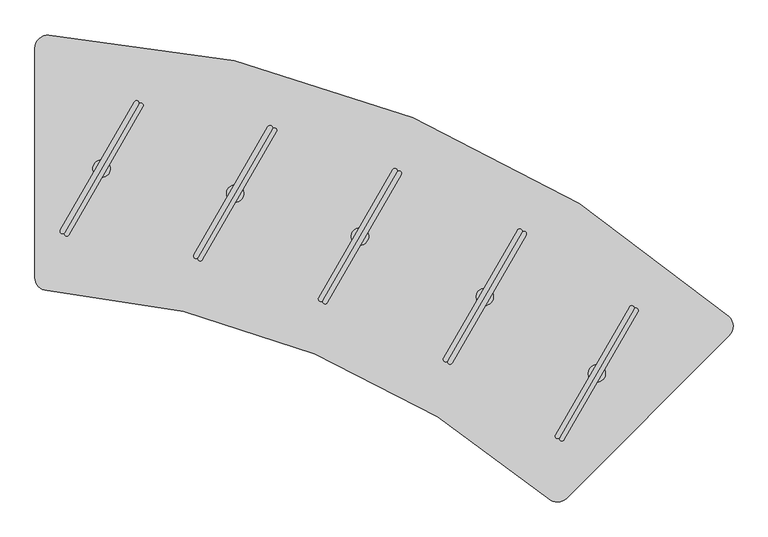
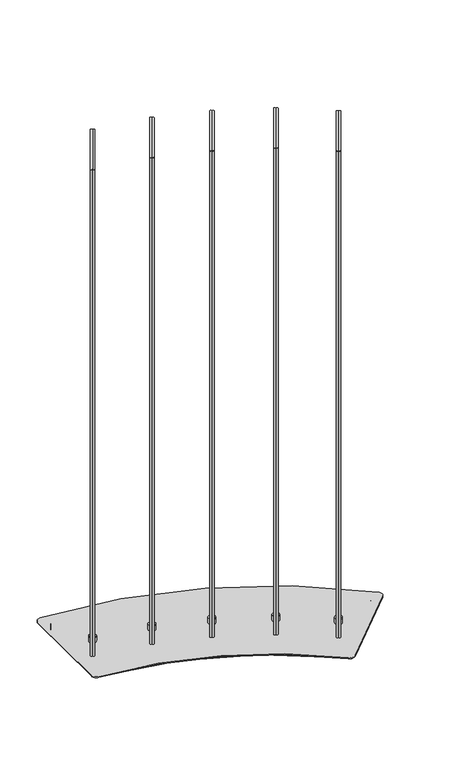
"""IFC4 building model written with IfcOpenShell, lengths in millimetres: furniture geometry."""

import ifcopenshell
import ifcopenshell.guid

model = None  # the IFC model being written
_history = None  # IfcOwnerHistory: only IFC2X3 demands one
_inside = {}  # id of a spatial element -> (the spatial element, [elements in it])
_under = {}  # id of a project, library or spatial element -> (it, [spatial elements below it])
_declared = {}  # id of a project -> (the project, [libraries it declares])
_typed = {}  # id of a type object -> (the type object, [elements of that type])
_made_of = {}  # id of a material, layer set ... -> (it, [elements and type objects made of it])


def new_model(schema):
    """Start an empty IFC model of exactly this schema.

    Asked for "IFC4X3", IfcOpenShell would pick the latest addendum, in which some entities
    have other attributes; the version numbers below select the first issue.
    IFC2X3 requires an IfcOwnerHistory on every rooted entity: one is made here for all.
    """
    global model, _history
    if schema == "IFC4X3":
        model = ifcopenshell.file(schema_version=(4, 3, 0, 0))
    else:
        model = ifcopenshell.file(schema=schema)
    _inside.clear()
    _under.clear()
    _declared.clear()
    _typed.clear()
    _made_of.clear()
    _history = None
    if model.schema == "IFC2X3":
        org = make("IfcOrganization", Name="unknown")
        user = make(
            "IfcPersonAndOrganization",
            ThePerson=make("IfcPerson", FamilyName="unknown"),
            TheOrganization=org,
        )
        app = make(
            "IfcApplication",
            ApplicationDeveloper=org,
            Version="unknown",
            ApplicationFullName="unknown",
            ApplicationIdentifier="unknown",
        )
        _history = make(
            "IfcOwnerHistory",
            OwningUser=user,
            OwningApplication=app,
            ChangeAction="ADDED",
            CreationDate=0,
        )
    return model


def make(cls, **values):
    """One entity of the class cls with the attributes given. An attribute that is None is left unset."""
    return model.create_entity(
        cls, **{name: value for name, value in values.items() if value is not None}
    )


def rooted(cls, **values):
    """An entity with a GlobalId (a new one), such as an element, a storey or a relation."""
    return make(cls, GlobalId=ifcopenshell.guid.new(), OwnerHistory=_history, **values)


def si_unit(unit_type, name, prefix=None):
    """IfcSIUnit, for example si_unit("LENGTHUNIT", "METRE", prefix="MILLI")."""
    return make("IfcSIUnit", UnitType=unit_type, Prefix=prefix, Name=name)


def assignment(units):
    """IfcUnitAssignment: the units of a project."""
    return None if units is None else make("IfcUnitAssignment", Units=units)


def point(xyz):
    """IfcCartesianPoint."""
    return None if xyz is None else make("IfcCartesianPoint", Coordinates=xyz)


def direction(xyz):
    """IfcDirection."""
    return None if xyz is None else make("IfcDirection", DirectionRatios=xyz)


def frame(location, z_axis=None, x_axis=None):
    """IfcAxis2Placement3D, a coordinate frame: its origin and axes. An axis left out is left unset."""
    return make(
        "IfcAxis2Placement3D",
        Location=point(location),
        Axis=direction(z_axis),
        RefDirection=direction(x_axis),
    )


def frame_2d(location, x_axis=None):
    """IfcAxis2Placement2D, a coordinate frame in the plane: its origin and x axis."""
    return make(
        "IfcAxis2Placement2D", Location=point(location), RefDirection=direction(x_axis)
    )


def origin():
    """The frame at (0, 0, 0) with its axes left unset."""
    return frame((0.0, 0.0, 0.0))


def origin_with_axes():
    """The frame at (0, 0, 0) with the z axis (0, 0, 1) and the x axis (1, 0, 0) written out."""
    return frame((0.0, 0.0, 0.0), z_axis=(0.0, 0.0, 1.0), x_axis=(1.0, 0.0, 0.0))


def place(relative_to, where):
    """IfcLocalPlacement: puts the frame where relative to a parent placement (None: the world)."""
    return make(
        "IfcLocalPlacement", PlacementRelTo=relative_to, RelativePlacement=where
    )


def context(
    kind, dimensions, precision=None, world=None, true_north=None, identifier=None
):
    """IfcGeometricRepresentationContext, for example the 3D "Model" context."""
    return make(
        "IfcGeometricRepresentationContext",
        ContextIdentifier=identifier,
        ContextType=kind,
        CoordinateSpaceDimension=dimensions,
        Precision=precision,
        WorldCoordinateSystem=world,
        TrueNorth=true_north,
    )


def project(units=None, contexts=None):
    """IfcProject with its units and contexts."""
    return rooted(
        "IfcProject",
        Name="project",
        RepresentationContexts=contexts,
        UnitsInContext=assignment(units),
    )


def spatial(cls, under=None, at=None, **own):
    """A site, building, storey or space (cls), placed at a placement, below another one or the project."""
    s = rooted(cls, ObjectPlacement=at, **own)
    if under is not None:
        _under.setdefault(under.id(), (under, []))[1].append(s)
    return s


def polyline(points):
    """IfcPolyline through the points."""
    return make("IfcPolyline", Points=[point(p) for p in points])


def circle_curve(where, radius):
    """IfcCircle in the frame where."""
    return make("IfcCircle", Position=where, Radius=radius)


def trimmed(basis, trim1, trim2, sense, master):
    """IfcTrimmedCurve: the piece of a basis curve between two trims."""
    return make(
        "IfcTrimmedCurve",
        BasisCurve=basis,
        Trim1=trim1,
        Trim2=trim2,
        SenseAgreement=sense,
        MasterRepresentation=master,
    )


def segment(curve, same_sense, transition):
    """IfcCompositeCurveSegment."""
    return make(
        "IfcCompositeCurveSegment",
        Transition=transition,
        SameSense=same_sense,
        ParentCurve=curve,
    )


def composite_curve(segments, self_intersect=None):
    """IfcCompositeCurve: segments joined end to end."""
    return make("IfcCompositeCurve", Segments=segments, SelfIntersect=self_intersect)


def outline(outer, holes=None, kind="AREA"):
    """IfcArbitraryClosedProfileDef: a profile drawn as a closed curve; with holes, ...WithVoids."""
    if holes is None:
        return make("IfcArbitraryClosedProfileDef", ProfileType=kind, OuterCurve=outer)
    return make(
        "IfcArbitraryProfileDefWithVoids",
        ProfileType=kind,
        OuterCurve=outer,
        InnerCurves=holes,
    )


def extrude(swept, where, along, depth):
    """IfcExtrudedAreaSolid: the profile swept, set in the frame where, extruded along a direction by depth."""
    return make(
        "IfcExtrudedAreaSolid",
        SweptArea=swept,
        Position=where,
        ExtrudedDirection=direction(along),
        Depth=depth,
    )


def shape(context_of_items, identifier, shape_type, items):
    """IfcShapeRepresentation: the items that make up one representation, for example the "Body"."""
    return make(
        "IfcShapeRepresentation",
        ContextOfItems=context_of_items,
        RepresentationIdentifier=identifier,
        RepresentationType=shape_type,
        Items=items,
    )


def source(mapping_origin, context_of_items, identifier, shape_type, items):
    """IfcRepresentationMap: a shape defined once, which mapped items show again and again."""
    return make(
        "IfcRepresentationMap",
        MappingOrigin=mapping_origin,
        MappedRepresentation=shape(context_of_items, identifier, shape_type, items),
    )


def transform(
    local_origin,
    x_axis=None,
    y_axis=None,
    z_axis=None,
    scale=None,
    scale2=None,
    scale3=None,
    uniform=True,
):
    """IfcCartesianTransformationOperator3D, or its non-uniform kind. x_axis, y_axis, z_axis: its Axis1, 2, 3."""
    if uniform:
        return make(
            "IfcCartesianTransformationOperator3D",
            Axis1=direction(x_axis),
            Axis2=direction(y_axis),
            LocalOrigin=point(local_origin),
            Scale=scale,
            Axis3=direction(z_axis),
        )
    return make(
        "IfcCartesianTransformationOperator3DnonUniform",
        Axis1=direction(x_axis),
        Axis2=direction(y_axis),
        LocalOrigin=point(local_origin),
        Scale=scale,
        Axis3=direction(z_axis),
        Scale2=scale2,
        Scale3=scale3,
    )


def mapped(mapping_source, mapping_target):
    """IfcMappedItem: shows the shape of a source again, moved by a transform."""
    return make(
        "IfcMappedItem", MappingSource=mapping_source, MappingTarget=mapping_target
    )


def made_of(thing, what):
    """Note that an element or type object is made of a material, layer set ...; save() writes the relation."""
    if what is not None:
        _made_of.setdefault(what.id(), (what, []))[1].append(thing)
    return thing


def element(
    cls,
    number,
    at=None,
    inside=None,
    cuts=None,
    type_object=None,
    material=None,
    context=None,
    identifier="Body",
    shape_type=None,
    held_by="IfcProductDefinitionShape",
    body=None,
    shapes=None,
    **own,
):
    """One element of the class cls, such as IfcWall. Its Tag is "e" and its number.

    at: its placement. inside: the storey or other place that contains it. cuts: it is an
    opening in that element (IfcRelVoidsElement). A single representation is given by context,
    identifier, shape_type and body (its items); several are given by shapes. held_by: the class
    of the entity that holds the representations. save() writes the other relations.
    """
    e = rooted(cls, Tag="e%d" % number, ObjectPlacement=at, **own)
    if body is not None:
        shapes = [shape(context, identifier, shape_type, body)]
    if shapes is not None:
        e.Representation = make(held_by, Representations=shapes)
    if inside is not None:
        _inside.setdefault(inside.id(), (inside, []))[1].append(e)
    if cuts is not None:
        rooted(
            "IfcRelVoidsElement", RelatingBuildingElement=cuts, RelatedOpeningElement=e
        )
    if type_object is not None:
        _typed.setdefault(type_object.id(), (type_object, []))[1].append(e)
    return made_of(e, material)


def aggregate(whole, parts):
    """IfcRelAggregates: a whole, such as a stair, and the parts it consists of."""
    return rooted("IfcRelAggregates", RelatingObject=whole, RelatedObjects=parts)


def save(model, path):
    """Write the relations noted so far, then the file.

    IfcRelAggregates (storeys below a building ...), IfcRelContainedInSpatialStructure (elements
    in a storey), IfcRelDefinesByType, IfcRelAssociatesMaterial and IfcRelDeclares: one each for
    every whole, place, type object, material and project.
    """
    for whole, parts in _under.values():
        aggregate(whole, parts)
    for where, things in _inside.values():
        rooted(
            "IfcRelContainedInSpatialStructure",
            RelatedElements=things,
            RelatingStructure=where,
        )
    for kind, things in _typed.values():
        rooted("IfcRelDefinesByType", RelatedObjects=things, RelatingType=kind)
    for what, things in _made_of.values():
        rooted("IfcRelAssociatesMaterial", RelatedObjects=things, RelatingMaterial=what)
    for by, libraries in _declared.values():
        rooted("IfcRelDeclares", RelatingContext=by, RelatedDefinitions=libraries)
    model.write(path)


def plane_surface(at):
    """IfcPlane: the flat surface through the origin of the frame at, square to its z axis."""
    return make("IfcPlane", Position=at)


def cylinder_surface(at, radius):
    """IfcCylindricalSurface: all points at the distance radius from the z axis of the frame at."""
    return make("IfcCylindricalSurface", Position=at, Radius=radius)


def advanced_brep(points, edges, surfaces, faces):
    """IfcAdvancedBrep: a solid bounded by faces that lie on surfaces and meet in shared edges.

    An edge is (start, end): straight between two places in points (the first is 0);
    or (start, end, curve); or (start, end, curve, False) where it runs against its curve.
    A face is (place in surfaces, loops), or (place, loops, False) where it looks against
    its surface's normal. A loop lists edges by number (the first is 1), with a minus sign
    where the edge is run from its end to its start. The first loop is the outer one.
    """
    corners = [point(p) for p in points]
    vertices = [make("IfcVertexPoint", VertexGeometry=c) for c in corners]
    made = []
    for start, end, *more in edges:
        made.append(
            make(
                "IfcEdgeCurve",
                EdgeStart=vertices[start],
                EdgeEnd=vertices[end],
                EdgeGeometry=more[0] if more else make("IfcPolyline", Points=[corners[start], corners[end]]),
                SameSense=more[1] if len(more) > 1 else True,
            )
        )
    hull = []
    for where, loops, *sense in faces:
        bounds = []
        for j, loop in enumerate(loops):
            ring = [make("IfcOrientedEdge", EdgeElement=made[abs(k) - 1], Orientation=k > 0) for k in loop]
            bounds.append(
                make(
                    "IfcFaceOuterBound" if j == 0 else "IfcFaceBound",
                    Bound=make("IfcEdgeLoop", EdgeList=ring),
                    Orientation=True,
                )
            )
        hull.append(make("IfcAdvancedFace", Bounds=bounds, FaceSurface=surfaces[where], SameSense=sense[0] if sense else True))
    return make("IfcAdvancedBrep", Outer=make("IfcClosedShell", CfsFaces=hull))


def furniture_1315cced(model_context):
    return source(origin(), model_context, "Body", "SolidModel", [
        extrude(outline(composite_curve([segment(trimmed(circle_curve(frame_2d((-419.4960741, 167.4557313)), 19.05), [point((-438.5460741, 167.4557313))], [point((-418.1073044, 186.4550423))], False, "CARTESIAN"), True, "CONTINUOUS"), segment(trimmed(circle_curve(frame_2d((-531.7750957, -1368.5974254)), 1559.2012519), [point((-418.1073044, 186.4550423))], [point((487.4377356, -188.6339732))], False, "CARTESIAN"), True, "CONTINUOUS"), segment(trimmed(circle_curve(frame_2d((474.9852029, -203.0505238)), 19.05), [point((487.4377356, -188.6339732))], [point((488.4555858, -216.5209092))], False, "CARTESIAN"), True, "CONTINUOUS"), segment(polyline([(488.4555858, -216.5209092), (295.9646299, -409.0118286)]), True, "CONTINUOUS"), segment(trimmed(circle_curve(frame_2d((282.494247, -395.5414431)), 19.05), [point((295.9646299, -409.0118286))], [point((270.2667118, -410.1493138))], False, "CARTESIAN"), True, "CONTINUOUS"), segment(trimmed(circle_curve(frame_2d((-531.5515125, -1368.0575729)), 1249.2000231), [point((270.2667118, -410.1493138))], [point((-421.179225, -123.7430403))], True, "CARTESIAN"), True, "CONTINUOUS"), segment(trimmed(circle_curve(frame_2d((-419.4960741, -104.7675429)), 19.05), [point((-421.179225, -123.7430403))], [point((-438.5460741, -104.7675429))], False, "CARTESIAN"), True, "CONTINUOUS"), segment(polyline([(-438.5460741, -104.7675429), (-438.5460741, 167.4557313)]), True, "CONTINUOUS")], self_intersect=False)), origin_with_axes(), (0.0, 0.0, 1.0), 20.6756),
        extrude(outline(composite_curve([segment(polyline([(-468.5460736, -131.1224266), (-468.5460736, 199.3418668)]), True, "CONTINUOUS"), segment(trimmed(circle_curve(frame_2d((-449.4960736, 199.3418668)), 19.05), [point((-468.5460736, 199.3418668))], [point((-448.5014738, 218.3658851))], False, "CARTESIAN"), True, "CONTINUOUS"), segment(trimmed(circle_curve(frame_2d((-531.4274371, -1367.784621)), 1588.3167642), [point((-448.5014738, 218.3658851))], [point((531.4986436, -187.5565539))], False, "CARTESIAN"), True, "CONTINUOUS"), segment(trimmed(circle_curve(frame_2d((518.7500897, -201.7120078)), 19.05), [point((531.4986436, -187.5565539))], [point((532.220476, -215.1823899))], False, "CARTESIAN"), True, "CONTINUOUS"), segment(polyline([(532.220476, -215.1823899), (297.882893, -449.5200458)]), True, "CONTINUOUS"), segment(trimmed(circle_curve(frame_2d((284.4125067, -436.0496637)), 19.05), [point((297.882893, -449.5200458))], [point((271.9304226, -450.4406358))], False, "CARTESIAN"), True, "CONTINUOUS"), segment(trimmed(circle_curve(frame_2d((-541.5381758, -1388.3131727)), 1241.5055603), [point((271.9304226, -450.4406358))], [point((-450.8870492, -150.1215762))], True, "CARTESIAN"), True, "CONTINUOUS"), segment(trimmed(circle_curve(frame_2d((-449.4960736, -131.1224266)), 19.05), [point((-450.8870492, -150.1215762))], [point((-468.5460736, -131.1224266))], False, "CARTESIAN"), True, "CONTINUOUS")], self_intersect=False)), frame((0.0, 0.0, 20.6756), z_axis=(0.0, 0.0, 1.0), x_axis=(1.0, 0.0, 0.0)), (0.0, 0.0, 1.0), 2.9999986),
        extrude(outline(composite_curve([segment(polyline([(281.9295904, -358.8077226), (388.5875108, -174.0707853)]), True, "CONTINUOUS"), segment(trimmed(circle_curve(frame_2d((391.6185291, -175.8207445)), 3.4999184), [point((388.5875108, -174.0707853))], [point((394.6495473, -177.5707037))], False, "CARTESIAN"), True, "CONTINUOUS"), segment(polyline([(394.6495473, -177.5707037), (287.9916269, -362.3076409)]), True, "CONTINUOUS"), segment(trimmed(circle_curve(frame_2d((284.9606086, -360.5576818)), 3.4999184), [point((287.9916269, -362.3076409))], [point((281.9295904, -358.8077226))], False, "CARTESIAN"), True, "CONTINUOUS")], self_intersect=False)), frame((0.0, 0.0, 44.4119983), z_axis=(0.0, 0.0, 1.0), x_axis=(1.0, 0.0, 0.0)), (0.0, 0.0, 1.0), 1849.882),
        extrude(outline(composite_curve([segment(trimmed(circle_curve(frame_2d((291.0226451, -364.0576001)), 3.4999184), [point((294.0536633, -365.8075593))], [point((287.9916269, -362.3076409))], False, "CARTESIAN"), True, "CONTINUOUS"), segment(polyline([(287.9916269, -362.3076409), (394.6495473, -177.5707037)]), True, "CONTINUOUS"), segment(trimmed(circle_curve(frame_2d((397.6805655, -179.3206629)), 3.4999184), [point((394.6495473, -177.5707037))], [point((400.7115838, -181.0706221))], False, "CARTESIAN"), True, "CONTINUOUS"), segment(polyline([(400.7115838, -181.0706221), (294.0536633, -365.8075593)]), True, "CONTINUOUS")], self_intersect=False)), frame((0.0, 0.0, 44.4119983), z_axis=(0.0, 0.0, 1.0), x_axis=(1.0, 0.0, 0.0)), (0.0, 0.0, 1.0), 1849.882),
        advanced_brep(
        [(341.3143001, -282.4358914, 44.4119983), (341.3143001, -257.4397564, 44.4119983), (341.3143001, -257.4397564, 23.6755986), (341.3143001, -282.4358914, 23.6755986), (341.3143001, -269.9378239, 44.4119983), (341.3143001, -269.9378239, 23.6755986)],
        [
            (0, 1, circle_curve(frame((341.3143001, -269.9378239, 44.4119983), z_axis=(0.0, 0.0, -1.0), x_axis=(0.0, 1.0, 0.0)), 12.4980675)),
            (1, 2),
            (2, 3, circle_curve(frame((341.3143001, -269.9378239, 23.6755986), z_axis=(0.0, 0.0, 1.0), x_axis=(0.0, 1.0, 0.0)), 12.4980675)),
            (3, 0),
            (4, 1),
            (0, 4),
            (0, 1, circle_curve(frame((341.3143001, -269.9378239, 44.4119983), z_axis=(0.0, 0.0, 1.0), x_axis=(0.0, 1.0, 0.0)), 12.4980675)),
            (2, 5),
            (5, 3),
            (2, 3, circle_curve(frame((341.3143001, -269.9378239, 23.6755986), z_axis=(0.0, 0.0, -1.0), x_axis=(0.0, 1.0, 0.0)), 12.4980675)),
        ],
        [
            cylinder_surface(frame((341.3143001, -269.9378239, 51.9527758), z_axis=(0.0, 0.0, 1.0), x_axis=(0.0, 1.0, 0.0)), 12.4980675),
            plane_surface(frame((341.3143001, -269.9378239, 44.4119983), z_axis=(0.0, 0.0, 1.0), x_axis=(0.0, 1.0, 0.0))),
            plane_surface(frame((341.3143001, -269.9378239, 23.6755986), z_axis=(0.0, 0.0, -1.0), x_axis=(0.0, 1.0, 0.0))),
        ],
        [
            (0, [[1, 2, 3, 4]]),
            (1, [[5, -1, 6]]),
            (1, [[-6, 7, -5]]),
            (2, [[-3, 8, 9]]),
            (2, [[10, -9, -8]]),
            (0, [[-7, -4, -10, -2]]),
        ],
    ),
        extrude(outline(composite_curve([segment(polyline([(120.6262821, -248.0135769), (227.2842025, -63.2766396)]), True, "CONTINUOUS"), segment(trimmed(circle_curve(frame_2d((230.3152208, -65.0265988)), 3.4999184), [point((227.2842025, -63.2766396))], [point((233.346239, -66.776558))], False, "CARTESIAN"), True, "CONTINUOUS"), segment(polyline([(233.346239, -66.776558), (126.6883186, -251.5134953)]), True, "CONTINUOUS"), segment(trimmed(circle_curve(frame_2d((123.6573003, -249.7635361)), 3.4999184), [point((126.6883186, -251.5134953))], [point((120.6262821, -248.0135769))], False, "CARTESIAN"), True, "CONTINUOUS")], self_intersect=False)), frame((0.0, 0.0, 44.4119983), z_axis=(0.0, 0.0, 1.0), x_axis=(1.0, 0.0, 0.0)), (0.0, 0.0, 1.0), 1849.882),
        extrude(outline(composite_curve([segment(trimmed(circle_curve(frame_2d((129.7193368, -253.2634545)), 3.4999184), [point((132.750355, -255.0134136))], [point((126.6883186, -251.5134953))], False, "CARTESIAN"), True, "CONTINUOUS"), segment(polyline([(126.6883186, -251.5134953), (233.346239, -66.776558)]), True, "CONTINUOUS"), segment(trimmed(circle_curve(frame_2d((236.3772572, -68.5265172)), 3.4999184), [point((233.346239, -66.776558))], [point((239.4082755, -70.2764764))], False, "CARTESIAN"), True, "CONTINUOUS"), segment(polyline([(239.4082755, -70.2764764), (132.750355, -255.0134136)]), True, "CONTINUOUS")], self_intersect=False)), frame((0.0, 0.0, 44.4119983), z_axis=(0.0, 0.0, 1.0), x_axis=(1.0, 0.0, 0.0)), (0.0, 0.0, 1.0), 1849.882),
        advanced_brep(
        [(180.0109918, -171.6417458, 44.4119983), (180.0109918, -146.6456107, 44.4119983), (180.0109918, -146.6456107, 23.6755986), (180.0109918, -171.6417458, 23.6755986), (180.0109918, -159.1436782, 44.4119983), (180.0109918, -159.1436782, 23.6755986)],
        [
            (0, 1, circle_curve(frame((180.0109918, -159.1436782, 44.4119983), z_axis=(0.0, 0.0, -1.0), x_axis=(0.0, 1.0, 0.0)), 12.4980675)),
            (1, 2),
            (2, 3, circle_curve(frame((180.0109918, -159.1436782, 23.6755986), z_axis=(0.0, 0.0, 1.0), x_axis=(0.0, 1.0, 0.0)), 12.4980675)),
            (3, 0),
            (4, 1),
            (0, 4),
            (0, 1, circle_curve(frame((180.0109918, -159.1436782, 44.4119983), z_axis=(0.0, 0.0, 1.0), x_axis=(0.0, 1.0, 0.0)), 12.4980675)),
            (2, 5),
            (5, 3),
            (2, 3, circle_curve(frame((180.0109918, -159.1436782, 23.6755986), z_axis=(0.0, 0.0, -1.0), x_axis=(0.0, 1.0, 0.0)), 12.4980675)),
        ],
        [
            cylinder_surface(frame((180.0109918, -159.1436782, 51.9527758), z_axis=(0.0, 0.0, 1.0), x_axis=(0.0, 1.0, 0.0)), 12.4980675),
            plane_surface(frame((180.0109918, -159.1436782, 44.4119983), z_axis=(0.0, 0.0, 1.0), x_axis=(0.0, 1.0, 0.0))),
            plane_surface(frame((180.0109918, -159.1436782, 23.6755986), z_axis=(0.0, 0.0, -1.0), x_axis=(0.0, 1.0, 0.0))),
        ],
        [
            (0, [[1, 2, 3, 4]]),
            (1, [[5, -1, 6]]),
            (1, [[-6, 7, -5]]),
            (2, [[-3, 8, 9]]),
            (2, [[10, -9, -8]]),
            (0, [[-7, -4, -10, -2]]),
        ],
    ),
        extrude(outline(composite_curve([segment(polyline([(-431.8141073, -63.1613971), (-325.1561869, 121.5755401)]), True, "CONTINUOUS"), segment(trimmed(circle_curve(frame_2d((-322.1251686, 119.8255809)), 3.4999184), [point((-325.1561869, 121.5755401))], [point((-319.0941504, 118.0756217))], False, "CARTESIAN"), True, "CONTINUOUS"), segment(polyline([(-319.0941504, 118.0756217), (-425.7520708, -66.6613155)]), True, "CONTINUOUS"), segment(trimmed(circle_curve(frame_2d((-428.7830891, -64.9113563)), 3.4999184), [point((-425.7520708, -66.6613155))], [point((-431.8141073, -63.1613971))], False, "CARTESIAN"), True, "CONTINUOUS")], self_intersect=False)), frame((0.0, 0.0, 44.4119983), z_axis=(0.0, 0.0, 1.0), x_axis=(1.0, 0.0, 0.0)), (0.0, 0.0, 1.0), 1849.882),
        extrude(outline(composite_curve([segment(trimmed(circle_curve(frame_2d((-422.7210526, -68.4112747)), 3.4999184), [point((-419.6900344, -70.1612339))], [point((-425.7520708, -66.6613155))], False, "CARTESIAN"), True, "CONTINUOUS"), segment(polyline([(-425.7520708, -66.6613155), (-319.0941504, 118.0756217)]), True, "CONTINUOUS"), segment(trimmed(circle_curve(frame_2d((-316.0631322, 116.3256625)), 3.4999184), [point((-319.0941504, 118.0756217))], [point((-313.0321139, 114.5757034))], False, "CARTESIAN"), True, "CONTINUOUS"), segment(polyline([(-313.0321139, 114.5757034), (-419.6900344, -70.1612339)]), True, "CONTINUOUS")], self_intersect=False)), frame((0.0, 0.0, 44.4119983), z_axis=(0.0, 0.0, 1.0), x_axis=(1.0, 0.0, 0.0)), (0.0, 0.0, 1.0), 1849.882),
        advanced_brep(
        [(-372.4293976, 13.210434, 44.4119983), (-372.4293976, 38.2065691, 44.4119983), (-372.4293976, 38.2065691, 23.6755986), (-372.4293976, 13.210434, 23.6755986), (-372.4293976, 25.7085015, 44.4119983), (-372.4293976, 25.7085015, 23.6755986)],
        [
            (0, 1, circle_curve(frame((-372.4293976, 25.7085015, 44.4119983), z_axis=(0.0, 0.0, -1.0), x_axis=(0.0, 1.0, 0.0)), 12.4980675)),
            (1, 2),
            (2, 3, circle_curve(frame((-372.4293976, 25.7085015, 23.6755986), z_axis=(0.0, 0.0, 1.0), x_axis=(0.0, 1.0, 0.0)), 12.4980675)),
            (3, 0),
            (4, 1),
            (0, 4),
            (0, 1, circle_curve(frame((-372.4293976, 25.7085015, 44.4119983), z_axis=(0.0, 0.0, 1.0), x_axis=(0.0, 1.0, 0.0)), 12.4980675)),
            (2, 5),
            (5, 3),
            (2, 3, circle_curve(frame((-372.4293976, 25.7085015, 23.6755986), z_axis=(0.0, 0.0, -1.0), x_axis=(0.0, 1.0, 0.0)), 12.4980675)),
        ],
        [
            cylinder_surface(frame((-372.4293976, 25.7085015, 51.9527758), z_axis=(0.0, 0.0, 1.0), x_axis=(0.0, 1.0, 0.0)), 12.4980675),
            plane_surface(frame((-372.4293976, 25.7085015, 44.4119983), z_axis=(0.0, 0.0, 1.0), x_axis=(0.0, 1.0, 0.0))),
            plane_surface(frame((-372.4293976, 25.7085015, 23.6755986), z_axis=(0.0, 0.0, -1.0), x_axis=(0.0, 1.0, 0.0))),
        ],
        [
            (0, [[1, 2, 3, 4]]),
            (1, [[5, -1, 6]]),
            (1, [[-6, 7, -5]]),
            (2, [[-3, 8, 9]]),
            (2, [[10, -9, -8]]),
            (0, [[-7, -4, -10, -2]]),
        ],
    ),
        extrude(outline(composite_curve([segment(polyline([(-59.3847097, -160.9427833), (47.2732107, 23.7941539)]), True, "CONTINUOUS"), segment(trimmed(circle_curve(frame_2d((50.3042289, 22.0441947)), 3.4999184), [point((47.2732107, 23.7941539))], [point((53.3352472, 20.2942356))], False, "CARTESIAN"), True, "CONTINUOUS"), segment(polyline([(53.3352472, 20.2942356), (-53.3226733, -164.4427017)]), True, "CONTINUOUS"), segment(trimmed(circle_curve(frame_2d((-56.3536915, -162.6927425)), 3.4999184), [point((-53.3226733, -164.4427017))], [point((-59.3847097, -160.9427833))], False, "CARTESIAN"), True, "CONTINUOUS")], self_intersect=False)), frame((0.0, 0.0, 44.4119983), z_axis=(0.0, 0.0, 1.0), x_axis=(1.0, 0.0, 0.0)), (0.0, 0.0, 1.0), 1849.882),
        extrude(outline(composite_curve([segment(trimmed(circle_curve(frame_2d((-50.291655, -166.1926609)), 3.4999184), [point((-47.2606368, -167.9426201))], [point((-53.3226733, -164.4427017))], False, "CARTESIAN"), True, "CONTINUOUS"), segment(polyline([(-53.3226733, -164.4427017), (53.3352472, 20.2942356)]), True, "CONTINUOUS"), segment(trimmed(circle_curve(frame_2d((56.3662654, 18.5442764)), 3.4999184), [point((53.3352472, 20.2942356))], [point((59.3972836, 16.7943172))], False, "CARTESIAN"), True, "CONTINUOUS"), segment(polyline([(59.3972836, 16.7943172), (-47.2606368, -167.9426201)]), True, "CONTINUOUS")], self_intersect=False)), frame((0.0, 0.0, 44.4119983), z_axis=(0.0, 0.0, 1.0), x_axis=(1.0, 0.0, 0.0)), (0.0, 0.0, 1.0), 1849.882),
        advanced_brep(
        [(0.0, -84.5709522, 44.4119983), (0.0, -59.5748171, 44.4119983), (0.0, -59.5748171, 23.6755986), (0.0, -84.5709522, 23.6755986), (0.0, -72.0728847, 44.4119983), (0.0, -72.0728847, 23.6755986)],
        [
            (0, 1, circle_curve(frame((0.0, -72.0728847, 44.4119983), z_axis=(0.0, 0.0, -1.0), x_axis=(0.0, 1.0, 0.0)), 12.4980675)),
            (1, 2),
            (2, 3, circle_curve(frame((0.0, -72.0728847, 23.6755986), z_axis=(0.0, 0.0, 1.0), x_axis=(0.0, 1.0, 0.0)), 12.4980675)),
            (3, 0),
            (4, 1),
            (0, 4),
            (0, 1, circle_curve(frame((0.0, -72.0728847, 44.4119983), z_axis=(0.0, 0.0, 1.0), x_axis=(0.0, 1.0, 0.0)), 12.4980675)),
            (2, 5),
            (5, 3),
            (2, 3, circle_curve(frame((0.0, -72.0728847, 23.6755986), z_axis=(0.0, 0.0, -1.0), x_axis=(0.0, 1.0, 0.0)), 12.4980675)),
        ],
        [
            cylinder_surface(frame((0.0, -72.0728847, 51.9527758), z_axis=(0.0, 0.0, 1.0), x_axis=(0.0, 1.0, 0.0)), 12.4980675),
            plane_surface(frame((0.0, -72.0728847, 44.4119983), z_axis=(0.0, 0.0, 1.0), x_axis=(0.0, 1.0, 0.0))),
            plane_surface(frame((0.0, -72.0728847, 23.6755986), z_axis=(0.0, 0.0, -1.0), x_axis=(0.0, 1.0, 0.0))),
        ],
        [
            (0, [[1, 2, 3, 4]]),
            (1, [[5, -1, 6]]),
            (1, [[-6, 7, -5]]),
            (2, [[-3, 8, 9]]),
            (2, [[10, -9, -8]]),
            (0, [[-7, -4, -10, -2]]),
        ],
    ),
        extrude(outline(composite_curve([segment(polyline([(-239.2449022, -98.9500193), (-132.5869818, 85.7869179)]), True, "CONTINUOUS"), segment(trimmed(circle_curve(frame_2d((-129.5559635, 84.0369587)), 3.4999184), [point((-132.5869818, 85.7869179))], [point((-126.5249453, 82.2869996))], False, "CARTESIAN"), True, "CONTINUOUS"), segment(polyline([(-126.5249453, 82.2869996), (-233.1828657, -102.4499377)]), True, "CONTINUOUS"), segment(trimmed(circle_curve(frame_2d((-236.213884, -100.6999785)), 3.4999184), [point((-233.1828657, -102.4499377))], [point((-239.2449022, -98.9500193))], False, "CARTESIAN"), True, "CONTINUOUS")], self_intersect=False)), frame((0.0, 0.0, 44.4119983), z_axis=(0.0, 0.0, 1.0), x_axis=(1.0, 0.0, 0.0)), (0.0, 0.0, 1.0), 1849.882),
        extrude(outline(composite_curve([segment(trimmed(circle_curve(frame_2d((-230.1518475, -104.1998969)), 3.4999184), [point((-227.1208293, -105.9498561))], [point((-233.1828657, -102.4499377))], False, "CARTESIAN"), True, "CONTINUOUS"), segment(polyline([(-233.1828657, -102.4499377), (-126.5249453, 82.2869996)]), True, "CONTINUOUS"), segment(trimmed(circle_curve(frame_2d((-123.4939271, 80.5370404)), 3.4999184), [point((-126.5249453, 82.2869996))], [point((-120.4629088, 78.7870812))], False, "CARTESIAN"), True, "CONTINUOUS"), segment(polyline([(-120.4629088, 78.7870812), (-227.1208293, -105.9498561)]), True, "CONTINUOUS")], self_intersect=False)), frame((0.0, 0.0, 44.4119983), z_axis=(0.0, 0.0, 1.0), x_axis=(1.0, 0.0, 0.0)), (0.0, 0.0, 1.0), 1849.882),
        advanced_brep(
        [(-179.8601925, -22.5781882, 44.4119983), (-179.8601925, 2.4179469, 44.4119983), (-179.8601925, 2.4179469, 23.6755986), (-179.8601925, -22.5781882, 23.6755986), (-179.8601925, -10.0801207, 44.4119983), (-179.8601925, -10.0801207, 23.6755986)],
        [
            (0, 1, circle_curve(frame((-179.8601925, -10.0801207, 44.4119983), z_axis=(0.0, 0.0, -1.0), x_axis=(0.0, 1.0, 0.0)), 12.4980675)),
            (1, 2),
            (2, 3, circle_curve(frame((-179.8601925, -10.0801207, 23.6755986), z_axis=(0.0, 0.0, 1.0), x_axis=(0.0, 1.0, 0.0)), 12.4980675)),
            (3, 0),
            (4, 1),
            (0, 4),
            (0, 1, circle_curve(frame((-179.8601925, -10.0801207, 44.4119983), z_axis=(0.0, 0.0, 1.0), x_axis=(0.0, 1.0, 0.0)), 12.4980675)),
            (2, 5),
            (5, 3),
            (2, 3, circle_curve(frame((-179.8601925, -10.0801207, 23.6755986), z_axis=(0.0, 0.0, -1.0), x_axis=(0.0, 1.0, 0.0)), 12.4980675)),
        ],
        [
            cylinder_surface(frame((-179.8601925, -10.0801207, 51.9527758), z_axis=(0.0, 0.0, 1.0), x_axis=(0.0, 1.0, 0.0)), 12.4980675),
            plane_surface(frame((-179.8601925, -10.0801207, 44.4119983), z_axis=(0.0, 0.0, 1.0), x_axis=(0.0, 1.0, 0.0))),
            plane_surface(frame((-179.8601925, -10.0801207, 23.6755986), z_axis=(0.0, 0.0, -1.0), x_axis=(0.0, 1.0, 0.0))),
        ],
        [
            (0, [[1, 2, 3, 4]]),
            (1, [[5, -1, 6]]),
            (1, [[-6, 7, -5]]),
            (2, [[-3, 8, 9]]),
            (2, [[10, -9, -8]]),
            (0, [[-7, -4, -10, -2]]),
        ],
    ),
    ])


if __name__ == "__main__":
    model = new_model("IFC4")
    model_context = context("Model", 3, world=origin())
    ifc_project = project(units=[si_unit("LENGTHUNIT", "METRE", prefix="MILLI")], contexts=[model_context])
    site = spatial("IfcSite", under=ifc_project)
    building = spatial("IfcBuilding", under=site)
    placement = place(None, origin())
    furniture_shape = furniture_1315cced(model_context)
    element("IfcFurniture", 1, at=placement, inside=building, context=model_context, shape_type="MappedRepresentation", body=[
        mapped(furniture_shape, transform((0.0, 0.0, 0.0), x_axis=(1.0, 0.0, 0.0), y_axis=(0.0, 1.0, 0.0), z_axis=(0.0, 0.0, 1.0))),
    ])
    save(model, "model.ifc")
